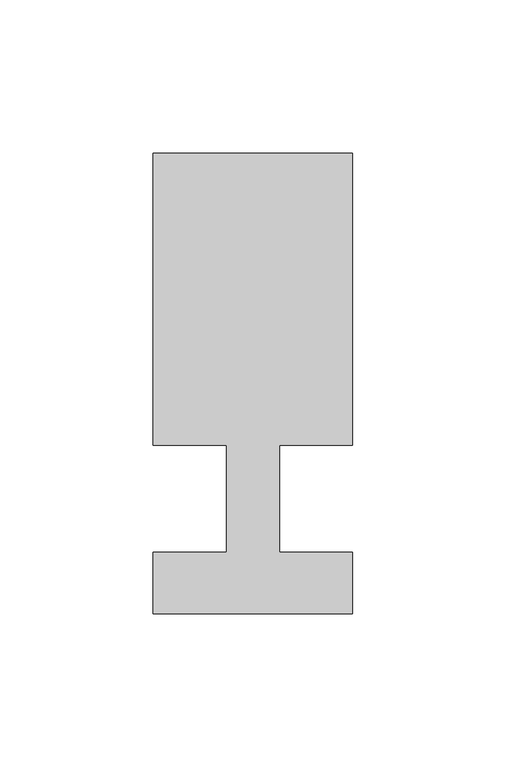
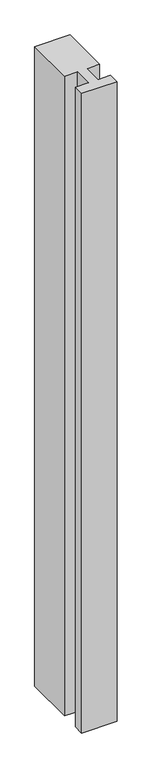
"""IFC4 building model written with IfcOpenShell, lengths in millimetres: member geometry."""

from ifc_helpers import new_model, si_unit, frame, origin, place, context, project, spatial, polyline, outline, extrude, source, transform, mapped, element, save


def member_2c7654b2(model_context):
    return source(origin(), model_context, "Body", "SweptSolid", [
        extrude(outline(polyline([(-32.5, -37.0), (-32.5, -17.0), (-8.6875, -17.0), (-8.6875, 18.0), (-32.5, 18.0), (-32.5, 113.0), (32.5, 113.0), (32.5, 18.0), (8.6875, 18.0), (8.6875, -17.0), (32.5, -17.0), (32.5, -37.0), (-32.5, -37.0)])), frame((0.0, 0.0, -1245.6666667), z_axis=(0.0, 0.0, 1.0), x_axis=(1.0, 0.0, 0.0)), (0.0, 0.0, 1.0), 1245.6666667),
    ])


if __name__ == "__main__":
    model = new_model("IFC4")
    model_context = context("Model", 3, world=origin())
    ifc_project = project(units=[si_unit("LENGTHUNIT", "METRE", prefix="MILLI")], contexts=[model_context])
    site = spatial("IfcSite", under=ifc_project)
    building = spatial("IfcBuilding", under=site)
    placement = place(None, origin())
    member_shape = member_2c7654b2(model_context)
    element("IfcMember", 1, at=placement, inside=building, context=model_context, shape_type="MappedRepresentation", body=[
        mapped(member_shape, transform((0.0, 0.0, 0.0), x_axis=(1.0, 0.0, 0.0), y_axis=(0.0, 1.0, 0.0), z_axis=(0.0, 0.0, 1.0))),
    ])
    save(model, "model.ifc")
